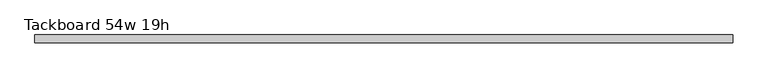
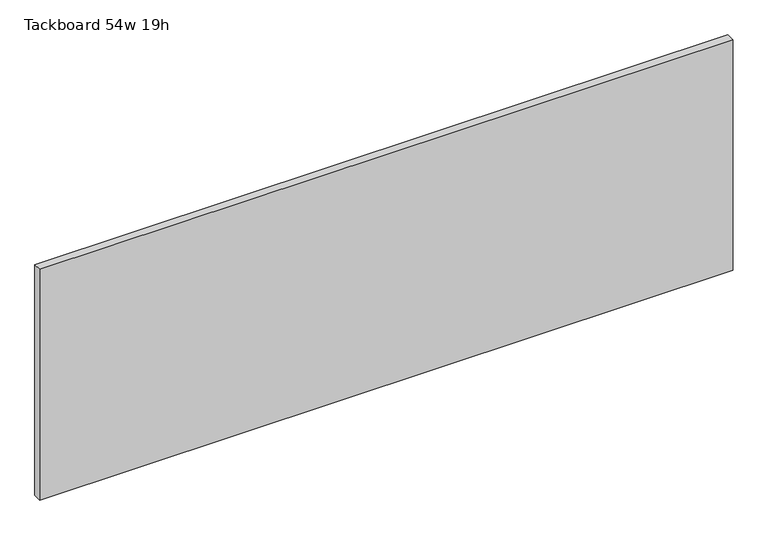
"""IFC4 building model written with IfcOpenShell, lengths in millimetres: furniture geometry, Tackboard 54w 19h."""

from ifc_helpers import new_model, si_unit, frame, origin, place, context, project, spatial, polyline, outline, extrude, source, transform, mapped, element, save


def tackboard_54w_19h_c197c414(model_context):
    return source(origin(), model_context, "Body", "SweptSolid", [
        extrude(outline(polyline([(688.2402902, -28.8968594), (-683.3597098, -28.8968594), (-683.3597098, -13.0218594), (688.2402902, -13.0218594), (688.2402902, -28.8968594)])), frame((0.0, 0.0, 1066.8), z_axis=(0.0, 0.0, 1.0), x_axis=(1.0, 0.0, 0.0)), (0.0, 0.0, 1.0), 482.6),
    ])


if __name__ == "__main__":
    model = new_model("IFC4")
    model_context = context("Model", 3, world=origin())
    ifc_project = project(units=[si_unit("LENGTHUNIT", "METRE", prefix="MILLI")], contexts=[model_context])
    site = spatial("IfcSite", under=ifc_project)
    building = spatial("IfcBuilding", under=site)
    placement = place(None, origin())
    tackboard_54w_19h_shape = tackboard_54w_19h_c197c414(model_context)
    element("IfcFurniture", 1, ObjectType="Tackboard 54w 19h", at=placement, inside=building, context=model_context, shape_type="MappedRepresentation", body=[
        mapped(tackboard_54w_19h_shape, transform((0.0, 0.0, 0.0), x_axis=(1.0, 0.0, 0.0), y_axis=(0.0, 1.0, 0.0), z_axis=(0.0, 0.0, 1.0))),
    ])
    save(model, "model.ifc")
